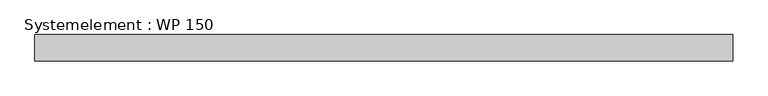
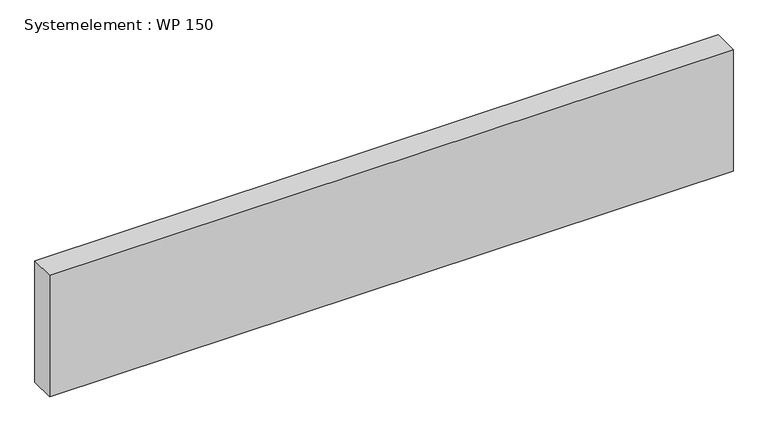
"""IFC4 building model written with IfcOpenShell, lengths in millimetres: plate geometry, Systemelement : WP 150."""

from ifc_helpers import new_model, si_unit, origin, origin_with_axes, place, context, project, spatial, polyline, outline, extrude, source, transform, mapped, element, save


def systemelement_wp_150_e8afe3e1(model_context):
    return source(origin(), model_context, "Body", "SweptSolid", [
        extrude(outline(polyline([(2000.0, -150.0), (-2000.0, -150.0), (-2000.0, 0.0), (2000.0, 0.0), (2000.0, -150.0)])), origin_with_axes(), (0.0, 0.0, 1.0), 751.6147161),
    ])


if __name__ == "__main__":
    model = new_model("IFC4")
    model_context = context("Model", 3, world=origin())
    ifc_project = project(units=[si_unit("LENGTHUNIT", "METRE", prefix="MILLI")], contexts=[model_context])
    site = spatial("IfcSite", under=ifc_project)
    building = spatial("IfcBuilding", under=site)
    placement = place(None, origin())
    systemelement_wp_150_shape = systemelement_wp_150_e8afe3e1(model_context)
    element("IfcPlate", 1, ObjectType="Systemelement : WP 150", at=placement, inside=building, context=model_context, shape_type="MappedRepresentation", body=[
        mapped(systemelement_wp_150_shape, transform((0.0, 0.0, 0.0), x_axis=(1.0, 0.0, 0.0), y_axis=(0.0, 1.0, 0.0), z_axis=(0.0, 0.0, 1.0))),
    ])
    save(model, "model.ifc")
